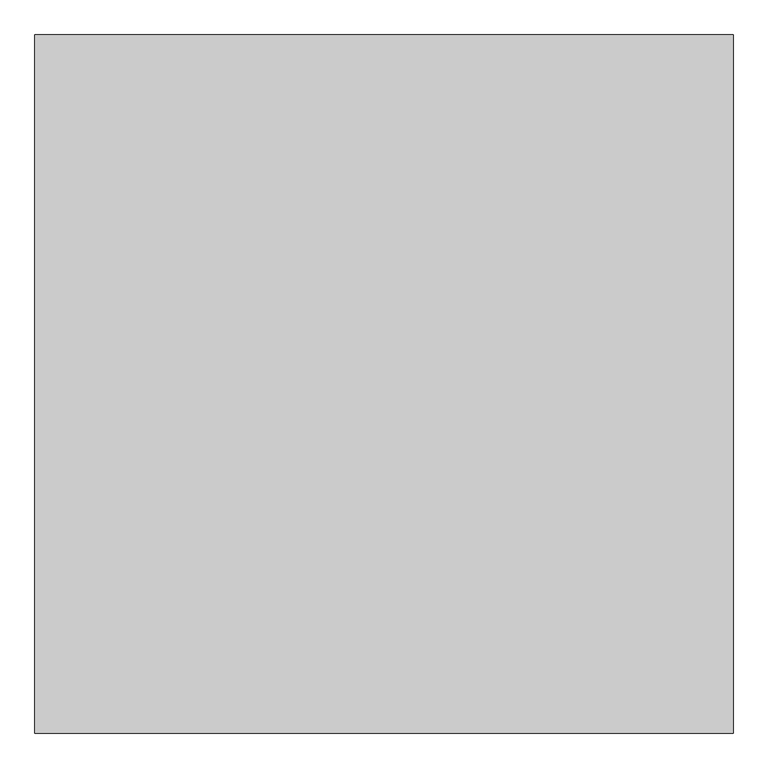
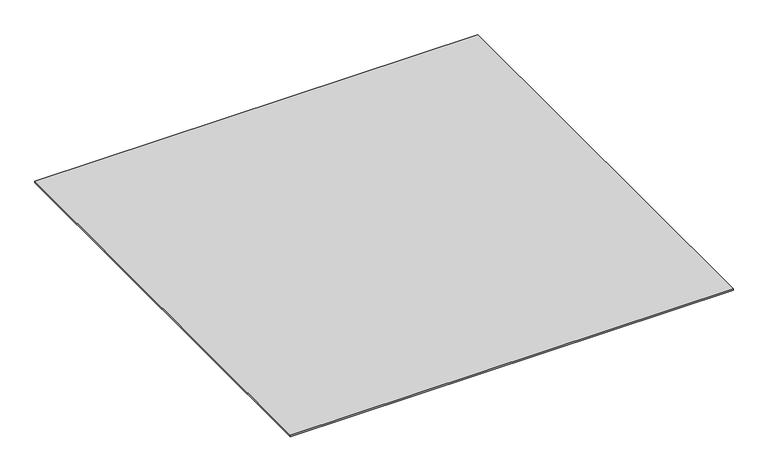
"""IFC4 building model written with IfcOpenShell, lengths in millimetres: proxy geometry."""

from ifc_helpers import new_model, si_unit, origin, origin_with_axes, place, context, project, spatial, polyline, outline, extrude, source, transform, mapped, element, save


def generic_models_710956d7(model_context):
    return source(origin(), model_context, "Body", "SweptSolid", [
        extrude(outline(polyline([(-16196.9237868, -28787.355679), (-16196.9237868, -29787.355679), (-17196.9237868, -29787.355679), (-17196.9237868, -28787.355679), (-16196.9237868, -28787.355679)])), origin_with_axes(), (0.0, 0.0, 1.0), 3.0),
    ])


if __name__ == "__main__":
    model = new_model("IFC4")
    model_context = context("Model", 3, world=origin())
    ifc_project = project(units=[si_unit("LENGTHUNIT", "METRE", prefix="MILLI")], contexts=[model_context])
    site = spatial("IfcSite", under=ifc_project)
    building = spatial("IfcBuilding", under=site)
    placement = place(None, origin())
    generic_models_shape = generic_models_710956d7(model_context)
    element("IfcBuildingElementProxy", 1, Name="Generic Models", at=placement, inside=building, context=model_context, shape_type="MappedRepresentation", body=[
        mapped(generic_models_shape, transform((0.0, 0.0, 0.0), x_axis=(1.0, 0.0, 0.0), y_axis=(0.0, 1.0, 0.0), z_axis=(0.0, 0.0, 1.0))),
    ])
    save(model, "model.ifc")
